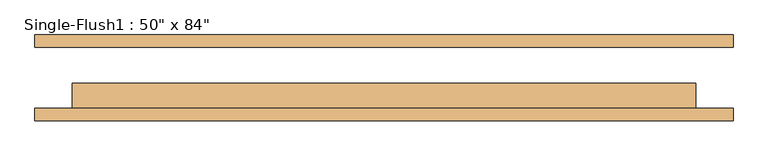
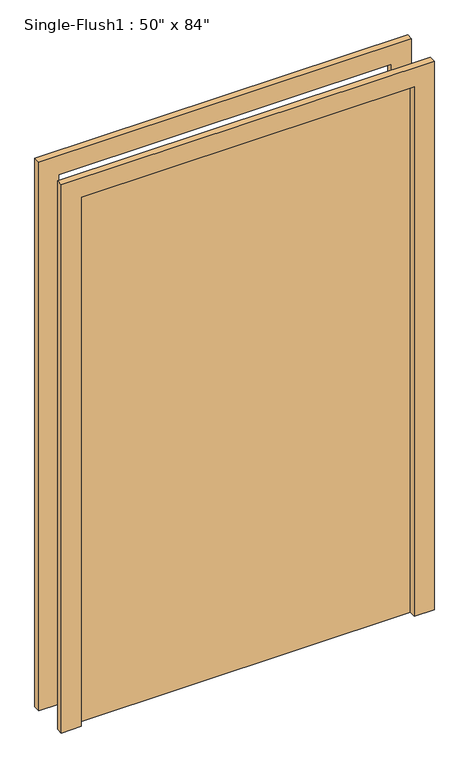
"""IFC4 building model written with IfcOpenShell, lengths in millimetres: door geometry."""

from ifc_helpers import new_model, si_unit, frame, origin, origin_with_axes, place, context, project, spatial, polyline, outline, extrude, source, transform, mapped, element, save


def door_9a69d29d(model_context):
    return source(origin(), model_context, "Body", "SweptSolid", [
        extrude(outline(polyline([(2209.8, -711.2), (0.0, -711.2), (0.0, -635.0), (2133.6, -635.0), (2133.6, 635.0), (0.0, 635.0), (0.0, 711.2), (2209.8, 711.2), (2209.8, -711.2)])), frame((0.0, -87.3125, 0.0), z_axis=(0.0, 1.0, 0.0), x_axis=(0.0, 0.0, 1.0)), (0.0, 0.0, 1.0), 25.4),
        extrude(outline(polyline([(2209.8, 711.2), (2209.8, -711.2), (0.0, -711.2), (0.0, -635.0), (2133.6, -635.0), (2133.6, 635.0), (0.0, 635.0), (0.0, 711.2), (2209.8, 711.2)])), frame((0.0, 61.9125, 0.0), z_axis=(0.0, 1.0, 0.0), x_axis=(0.0, 0.0, 1.0)), (0.0, 0.0, 1.0), 25.4),
        extrude(outline(polyline([(635.0, -11.1125), (635.0, -61.9125), (-635.0, -61.9125), (-635.0, -11.1125), (635.0, -11.1125)])), origin_with_axes(), (0.0, 0.0, 1.0), 2133.6),
    ])


if __name__ == "__main__":
    model = new_model("IFC4")
    model_context = context("Model", 3, world=origin())
    ifc_project = project(units=[si_unit("LENGTHUNIT", "METRE", prefix="MILLI")], contexts=[model_context])
    site = spatial("IfcSite", under=ifc_project)
    building = spatial("IfcBuilding", under=site)
    placement = place(None, origin())
    door_shape = door_9a69d29d(model_context)
    element("IfcDoor", 1, ObjectType="Single-Flush1 : 50\" x 84\"", at=placement, inside=building, context=model_context, shape_type="MappedRepresentation", body=[
        mapped(door_shape, transform((0.0, 0.0, 0.0), x_axis=(1.0, 0.0, 0.0), y_axis=(0.0, 1.0, 0.0), z_axis=(0.0, 0.0, 1.0))),
    ])
    save(model, "model.ifc")
